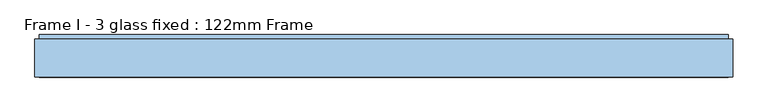
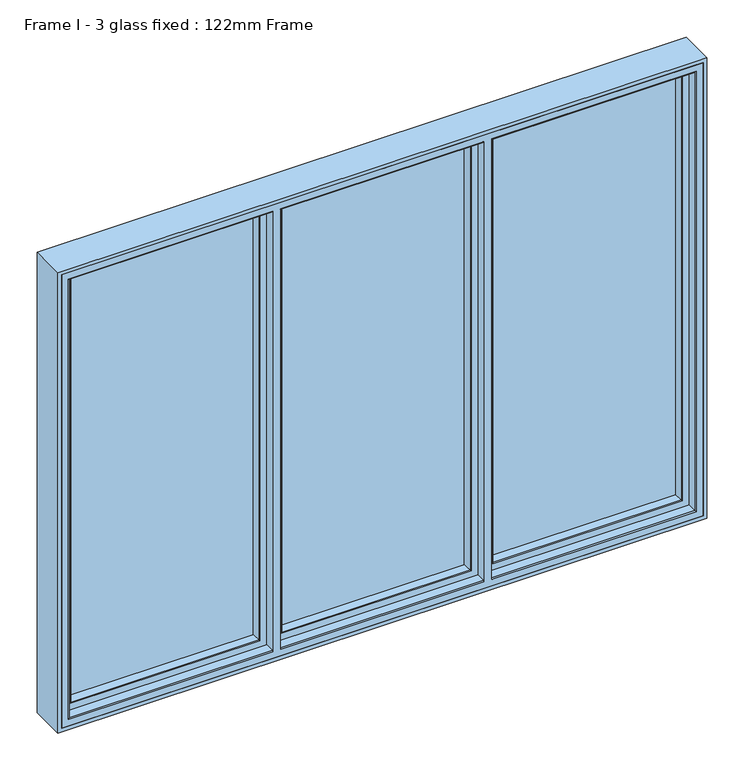
"""IFC4 building model written with IfcOpenShell, lengths in millimetres: window geometry, Frame I - 3 glass fixed : 122mm Frame."""

from ifc_helpers import new_model, si_unit, frame, origin, place, context, project, spatial, polyline, circle_curve, ellipse_curve, outline, extrude, source, transform, mapped, element, save
from ifc_brep_helpers import plane_surface, cylinder_surface, advanced_brep


def frame_i_3_glass_fixed_122mm_frame_de83305a(model_context):
    return source(origin(), model_context, "Body", "SolidModel", [
        extrude(outline(polyline([(-301.0, 141.0), (301.0, 141.0), (301.0, 93.0), (-301.0, 93.0), (-301.0, 141.0)])), frame((0.0, 0.0, 847.4), z_axis=(0.0, 0.0, 1.0), x_axis=(1.0, 0.0, 0.0)), (0.0, 0.0, 1.0), 1405.2),
        advanced_brep(
        [(290.1078547, 66.2562613, 2240.9078547), (287.0697056, 91.0, 2237.8697056), (287.0697056, 91.0, 862.1302944), (290.1078547, 66.2562613, 859.0921453), (310.7, 91.0, 838.5), (-310.7, 91.0, 838.5), (-310.7, 91.0, 2261.5), (310.7, 91.0, 2261.5), (-287.0697056, 91.0, 2237.8697056), (-287.0697056, 91.0, 862.1302944), (-290.1078547, 66.2562613, 859.0921453), (292.092947, 64.5, 2242.892947), (292.092947, 64.5, 857.107053), (310.7, 82.0, 2261.5), (310.7, 82.0, 838.5), (313.2, 82.0, 836.0), (-313.2, 82.0, 836.0), (-313.2, 82.0, 2264.0), (313.2, 82.0, 2264.0), (-310.7, 82.0, 2261.5), (-310.7, 82.0, 838.5), (313.2, 64.5, 2264.0), (313.2, 64.5, 836.0), (-313.2, 64.5, 2264.0), (-313.2, 64.5, 836.0), (-292.092947, 64.5, 857.107053), (-292.092947, 64.5, 2242.892947), (-290.1078547, 66.2562613, 2240.9078547)],
        [
            (0, 1),
            (1, 2),
            (2, 3),
            (3, 0),
            (4, 5),
            (5, 6),
            (6, 7),
            (7, 4),
            (1, 8),
            (8, 9),
            (9, 2),
            (9, 10),
            (10, 3),
            (11, 0, ellipse_curve(frame((292.092947, 66.5, 2242.892947), z_axis=(0.7071067811865474, 0.0, -0.7071067811865476), x_axis=(0.7071067811865475, 0.0, 0.7071067811865475)), 2.8284271, 2.0)),
            (3, 12, ellipse_curve(frame((292.092947, 66.5, 857.107053), z_axis=(0.7071067811865476, 0.0, 0.7071067811865474), x_axis=(-0.7071067811865472, 0.0, 0.7071067811865478)), 2.8284271, 2.0)),
            (12, 11),
            (7, 13),
            (13, 14),
            (14, 4),
            (15, 16),
            (16, 17),
            (17, 18),
            (18, 15),
            (13, 19),
            (19, 20),
            (20, 14),
            (20, 5),
            (18, 21),
            (21, 22),
            (22, 15),
            (21, 23),
            (23, 24),
            (24, 22),
            (12, 25),
            (25, 26),
            (26, 11),
            (24, 16),
            (10, 25, ellipse_curve(frame((-292.092947, 66.5, 857.107053), z_axis=(0.7071067811865474, 0.0, -0.7071067811865476), x_axis=(0.7071067811865478, 0.0, 0.7071067811865472)), 2.8284271, 2.0)),
            (8, 27),
            (27, 10),
            (19, 6),
            (23, 17),
            (27, 26, ellipse_curve(frame((-292.092947, 66.5, 2242.892947), z_axis=(-0.7071067811865476, 0.0, -0.7071067811865474), x_axis=(0.7071067811865474, 0.0, -0.7071067811865477)), 2.8284271, 2.0)),
            (0, 27),
        ],
        [
            plane_surface(frame((287.0697056, 91.0, 2237.8697056), z_axis=(-0.9925461516413219, -0.12186934340514886, 0.0), x_axis=(0.0, 0.0, -1.0))),
            plane_surface(frame((-310.7, 91.0, 2261.5), z_axis=(0.0, 1.0, 0.0), x_axis=(1.0, 0.0, 0.0))),
            plane_surface(frame((287.0697056, 91.0, 862.1302944), z_axis=(0.0, -0.12186934340514886, 0.9925461516413219), x_axis=(-1.0, 0.0, 0.0))),
            cylinder_surface(frame((292.092947, 66.5, 2237.6), z_axis=(0.0, 0.0, 1.0), x_axis=(0.0, 1.0, 0.0)), 2.0),
            plane_surface(frame((310.7, 82.0, 2261.5), z_axis=(1.0, 0.0, 0.0), x_axis=(0.0, 0.0, -1.0))),
            plane_surface(frame((-313.2, 82.0, 2264.0), z_axis=(0.0, 1.0, 0.0), x_axis=(1.0, 0.0, 0.0))),
            plane_surface(frame((310.7, 82.0, 838.5), z_axis=(0.0, 0.0, -1.0), x_axis=(-1.0, 0.0, 0.0))),
            plane_surface(frame((313.2, 64.5, 2264.0), z_axis=(1.0, 0.0, 0.0), x_axis=(0.0, 0.0, -1.0))),
            plane_surface(frame((-292.092947, 64.5, 2242.892947), z_axis=(0.0, -1.0, 0.0), x_axis=(1.0, 0.0, 0.0))),
            plane_surface(frame((313.2, 64.5, 836.0), z_axis=(0.0, 0.0, -1.0), x_axis=(-1.0, 0.0, 0.0))),
            cylinder_surface(frame((286.8, 66.5, 857.107053), z_axis=(1.0, 0.0, 0.0), x_axis=(0.0, 1.0, 0.0)), 2.0),
            plane_surface(frame((-287.0697056, 91.0, 862.1302944), z_axis=(0.9925461516413219, -0.12186934340514886, 0.0), x_axis=(0.0, 0.0, 1.0))),
            plane_surface(frame((-310.7, 82.0, 838.5), z_axis=(-1.0, 0.0, 0.0), x_axis=(0.0, 0.0, 1.0))),
            plane_surface(frame((-313.2, 64.5, 836.0), z_axis=(-1.0, 0.0, 0.0), x_axis=(0.0, 0.0, 1.0))),
            cylinder_surface(frame((-292.092947, 66.5, 862.4), z_axis=(0.0, 0.0, -1.0), x_axis=(0.0, 1.0, 0.0)), 2.0),
            plane_surface(frame((-287.0697056, 91.0, 2237.8697056), z_axis=(0.0, -0.12186934340514886, -0.9925461516413219), x_axis=(1.0, 0.0, 0.0))),
            plane_surface(frame((-310.7, 82.0, 2261.5), z_axis=(0.0, 0.0, 1.0), x_axis=(1.0, 0.0, 0.0))),
            plane_surface(frame((-313.2, 64.5, 2264.0), z_axis=(0.0, 0.0, 1.0), x_axis=(1.0, 0.0, 0.0))),
            cylinder_surface(frame((-286.8, 66.5, 2242.892947), z_axis=(-1.0, 0.0, 0.0), x_axis=(0.0, 1.0, 0.0)), 2.0),
        ],
        [
            (0, [[1, 2, 3, 4]]),
            (1, [[5, 6, 7, 8], [9, 10, 11, -2]]),
            (2, [[-3, -11, 12, 13]]),
            (3, [[14, -4, 15, 16]]),
            (4, [[17, 18, 19, -8]]),
            (5, [[20, 21, 22, 23], [24, 25, 26, -18]]),
            (6, [[-19, -26, 27, -5]]),
            (7, [[28, 29, 30, -23]]),
            (8, [[31, 32, 33, -29], [34, 35, 36, -16]]),
            (9, [[-30, -33, 37, -20]]),
            (10, [[-15, -13, 38, -34]]),
            (11, [[-12, -10, 39, 40]]),
            (12, [[-27, -25, 41, -6]]),
            (13, [[-37, -32, 42, -21]]),
            (14, [[-38, -40, 43, -35]]),
            (15, [[-39, -9, -1, 44]]),
            (16, [[-41, -24, -17, -7]]),
            (17, [[-42, -31, -28, -22]]),
            (18, [[-43, -44, -14, -36]]),
        ],
    ),
        extrude(outline(polyline([(349.4, 141.0), (952.6, 141.0), (952.6, 93.0), (349.4, 93.0), (349.4, 141.0)])), frame((0.0, 0.0, 847.4), z_axis=(0.0, 0.0, 1.0), x_axis=(1.0, 0.0, 0.0)), (0.0, 0.0, 1.0), 1405.2),
        advanced_brep(
        [(940.9078547, 66.2562613, 2240.9078547), (937.8697056, 91.0, 2237.8697056), (937.8697056, 91.0, 862.1302944), (940.9078547, 66.2562613, 859.0921453), (961.5, 91.0, 838.5), (339.7, 91.0, 838.5), (339.7, 91.0, 2261.5), (961.5, 91.0, 2261.5), (363.3302944, 91.0, 2237.8697056), (363.3302944, 91.0, 862.1302944), (360.2921453, 66.2562613, 859.0921453), (942.892947, 64.5, 2242.892947), (942.892947, 64.5, 857.107053), (961.5, 82.0, 2261.5), (961.5, 82.0, 838.5), (964.0, 82.0, 836.0), (337.2, 82.0, 836.0), (337.2, 82.0, 2264.0), (964.0, 82.0, 2264.0), (339.7, 82.0, 2261.5), (339.7, 82.0, 838.5), (964.0, 64.5, 2264.0), (964.0, 64.5, 836.0), (337.2, 64.5, 2264.0), (337.2, 64.5, 836.0), (358.307053, 64.5, 857.107053), (358.307053, 64.5, 2242.892947), (360.2921453, 66.2562613, 2240.9078547)],
        [
            (0, 1),
            (1, 2),
            (2, 3),
            (3, 0),
            (4, 5),
            (5, 6),
            (6, 7),
            (7, 4),
            (1, 8),
            (8, 9),
            (9, 2),
            (9, 10),
            (10, 3),
            (11, 0, ellipse_curve(frame((942.892947, 66.5, 2242.892947), z_axis=(0.7071067811865475, 0.0, -0.7071067811865476), x_axis=(0.7071067811865476, 0.0, 0.7071067811865475)), 2.8284271, 2.0)),
            (3, 12, ellipse_curve(frame((942.892947, 66.5, 857.107053), z_axis=(0.7071067811865476, 0.0, 0.7071067811865475), x_axis=(-0.7071067811865475, 0.0, 0.7071067811865476)), 2.8284271, 2.0)),
            (12, 11),
            (7, 13),
            (13, 14),
            (14, 4),
            (15, 16),
            (16, 17),
            (17, 18),
            (18, 15),
            (13, 19),
            (19, 20),
            (20, 14),
            (20, 5),
            (18, 21),
            (21, 22),
            (22, 15),
            (21, 23),
            (23, 24),
            (24, 22),
            (12, 25),
            (25, 26),
            (26, 11),
            (24, 16),
            (10, 25, ellipse_curve(frame((358.307053, 66.5, 857.107053), z_axis=(0.7071067811865475, 0.0, -0.7071067811865476), x_axis=(0.7071067811865476, 0.0, 0.7071067811865475)), 2.8284271, 2.0)),
            (8, 27),
            (27, 10),
            (19, 6),
            (23, 17),
            (27, 26, ellipse_curve(frame((358.307053, 66.5, 2242.892947), z_axis=(-0.7071067811865476, 0.0, -0.7071067811865475), x_axis=(0.7071067811865476, 0.0, -0.7071067811865476)), 2.8284271, 2.0)),
            (0, 27),
        ],
        [
            plane_surface(frame((937.8697056, 91.0, 2237.8697056), z_axis=(-0.9925461516413222, -0.12186934340514619, 0.0), x_axis=(0.0, 0.0, -1.0))),
            plane_surface(frame((339.7, 91.0, 2261.5), z_axis=(0.0, 1.0, 0.0), x_axis=(1.0, 0.0, 0.0))),
            plane_surface(frame((937.8697056, 91.0, 862.1302944), z_axis=(0.0, -0.12186934340514619, 0.9925461516413222), x_axis=(-1.0, 0.0, 0.0))),
            cylinder_surface(frame((942.892947, 66.5, 2237.6), z_axis=(0.0, 0.0, 1.0), x_axis=(0.0, 1.0, 0.0)), 2.0),
            plane_surface(frame((961.5, 82.0, 2261.5), z_axis=(1.0, 0.0, 0.0), x_axis=(0.0, 0.0, -1.0))),
            plane_surface(frame((337.2, 82.0, 2264.0), z_axis=(0.0, 1.0, 0.0), x_axis=(1.0, 0.0, 0.0))),
            plane_surface(frame((961.5, 82.0, 838.5), z_axis=(0.0, 0.0, -1.0), x_axis=(-1.0, 0.0, 0.0))),
            plane_surface(frame((964.0, 64.5, 2264.0), z_axis=(1.0, 0.0, 0.0), x_axis=(0.0, 0.0, -1.0))),
            plane_surface(frame((358.307053, 64.5, 2242.892947), z_axis=(0.0, -1.0, 0.0), x_axis=(1.0, 0.0, 0.0))),
            plane_surface(frame((964.0, 64.5, 836.0), z_axis=(0.0, 0.0, -1.0), x_axis=(-1.0, 0.0, 0.0))),
            cylinder_surface(frame((937.6, 66.5, 857.107053), z_axis=(1.0, 0.0, 0.0), x_axis=(0.0, 1.0, 0.0)), 2.0),
            plane_surface(frame((363.3302944, 91.0, 862.1302944), z_axis=(0.9925461516413222, -0.12186934340514619, 0.0), x_axis=(0.0, 0.0, 1.0))),
            plane_surface(frame((339.7, 82.0, 838.5), z_axis=(-1.0, 0.0, 0.0), x_axis=(0.0, 0.0, 1.0))),
            plane_surface(frame((337.2, 64.5, 836.0), z_axis=(-1.0, 0.0, 0.0), x_axis=(0.0, 0.0, 1.0))),
            cylinder_surface(frame((358.307053, 66.5, 862.4), z_axis=(0.0, 0.0, -1.0), x_axis=(0.0, 1.0, 0.0)), 2.0),
            plane_surface(frame((363.3302944, 91.0, 2237.8697056), z_axis=(0.0, -0.12186934340514619, -0.9925461516413222), x_axis=(1.0, 0.0, 0.0))),
            plane_surface(frame((339.7, 82.0, 2261.5), z_axis=(0.0, 0.0, 1.0), x_axis=(1.0, 0.0, 0.0))),
            plane_surface(frame((337.2, 64.5, 2264.0), z_axis=(0.0, 0.0, 1.0), x_axis=(1.0, 0.0, 0.0))),
            cylinder_surface(frame((363.6, 66.5, 2242.892947), z_axis=(-1.0, 0.0, 0.0), x_axis=(0.0, 1.0, 0.0)), 2.0),
        ],
        [
            (0, [[1, 2, 3, 4]]),
            (1, [[5, 6, 7, 8], [9, 10, 11, -2]]),
            (2, [[-3, -11, 12, 13]]),
            (3, [[14, -4, 15, 16]]),
            (4, [[17, 18, 19, -8]]),
            (5, [[20, 21, 22, 23], [24, 25, 26, -18]]),
            (6, [[-19, -26, 27, -5]]),
            (7, [[28, 29, 30, -23]]),
            (8, [[31, 32, 33, -29], [34, 35, 36, -16]]),
            (9, [[-30, -33, 37, -20]]),
            (10, [[-15, -13, 38, -34]]),
            (11, [[-12, -10, 39, 40]]),
            (12, [[-27, -25, 41, -6]]),
            (13, [[-37, -32, 42, -21]]),
            (14, [[-38, -40, 43, -35]]),
            (15, [[-39, -9, -1, 44]]),
            (16, [[-41, -24, -17, -7]]),
            (17, [[-42, -31, -28, -22]]),
            (18, [[-43, -44, -14, -36]]),
        ],
    ),
        advanced_brep(
        [(-964.0, 83.0, 2264.0), (-964.0, 35.0, 2264.0), (-964.0, 35.0, 836.0), (-964.0, 83.0, 836.0), (-967.0, 32.0, 2267.0), (-967.0, 32.0, 833.0), (-337.2, 35.0, 836.0), (-337.2, 83.0, 836.0), (964.0, 35.0, 836.0), (964.0, 83.0, 836.0), (337.2, 83.0, 836.0), (337.2, 35.0, 836.0), (-313.2, 83.0, 836.0), (-313.2, 35.0, 836.0), (313.2, 35.0, 836.0), (313.2, 83.0, 836.0), (-337.2, 83.0, 838.0), (-962.0, 83.0, 838.0), (-962.0, 83.0, 2262.0), (-337.2, 83.0, 2262.0), (-337.2, 83.0, 2264.0), (964.0, 83.0, 2264.0), (337.2, 83.0, 2264.0), (337.2, 83.0, 2262.0), (962.0, 83.0, 2262.0), (962.0, 83.0, 838.0), (337.2, 83.0, 838.0), (-313.2, 83.0, 838.0), (313.2, 83.0, 838.0), (-313.2, 83.0, 2264.0), (-313.2, 83.0, 2262.0), (313.2, 83.0, 2262.0), (313.2, 83.0, 2264.0), (-962.0, 91.0, 2262.0), (-962.0, 91.0, 838.0), (-337.2, 91.0, 838.0), (962.0, 91.0, 838.0), (337.2, 91.0, 838.0), (313.2, 91.0, 838.0), (-313.2, 91.0, 838.0), (-337.2, 91.0, 2262.0), (-955.7805994, 91.0, 844.2194006), (-955.7805994, 91.0, 2255.7805994), (-345.4, 91.0, 2255.7805994), (-345.4, 91.0, 844.2194006), (962.0, 91.0, 2262.0), (337.2, 91.0, 2262.0), (955.7805994, 91.0, 844.2194006), (345.4, 91.0, 844.2194006), (345.4, 91.0, 2255.7805994), (955.7805994, 91.0, 2255.7805994), (-313.2, 91.0, 2262.0), (313.2, 91.0, 2262.0), (-305.0, 91.0, 844.2194006), (-305.0, 91.0, 2255.7805994), (305.0, 91.0, 2255.7805994), (305.0, 91.0, 844.2194006), (-938.0131086, 143.3877115, 2238.0131086), (-938.0131086, 142.0, 2238.0131086), (-938.0131086, 142.0, 861.9868914), (-938.0131086, 143.3877115, 861.9868914), (-962.2226568, 142.0, 2262.2226568), (-962.2226568, 142.0, 837.7773432), (-339.1379874, 142.0, 837.7773432), (-339.1379874, 142.0, 2262.2226568), (-363.6111574, 142.0, 2238.0131086), (-363.6111574, 142.0, 861.9868914), (962.2226568, 142.0, 837.7773432), (962.2226568, 142.0, 2262.2226568), (339.1379874, 142.0, 2262.2226568), (339.1379874, 142.0, 837.7773432), (938.0131086, 142.0, 2238.0131086), (938.0131086, 142.0, 861.9868914), (363.6111574, 142.0, 861.9868914), (363.6111574, 142.0, 2238.0131086), (-311.2620126, 142.0, 2262.2226568), (-311.2620126, 142.0, 837.7773432), (311.2620126, 142.0, 837.7773432), (311.2620126, 142.0, 2262.2226568), (-286.7888426, 142.0, 861.9868914), (-286.7888426, 142.0, 2238.0131086), (286.7888426, 142.0, 2238.0131086), (286.7888426, 142.0, 861.9868914), (-363.1868914, 143.3877115, 861.9868914), (938.0131086, 143.3877115, 861.9868914), (363.1868914, 143.3877115, 861.9868914), (-287.2131086, 143.3877115, 861.9868914), (287.2131086, 143.3877115, 861.9868914), (-941.2576108, 154.0, 858.7423892), (-941.2576108, 154.0, 2241.2576108), (-359.9423892, 154.0, 858.7423892), (941.2576108, 154.0, 858.7423892), (359.9423892, 154.0, 858.7423892), (-290.4576108, 154.0, 858.7423892), (290.4576108, 154.0, 858.7423892), (988.0, 154.0, 812.0), (-988.0, 154.0, 812.0), (-988.0, 154.0, 2288.0), (988.0, 154.0, 2288.0), (-359.9423892, 154.0, 2241.2576108), (290.4576108, 154.0, 2241.2576108), (-290.4576108, 154.0, 2241.2576108), (941.2576108, 154.0, 2241.2576108), (359.9423892, 154.0, 2241.2576108), (-988.0, 90.5, 2288.0), (-988.0, 90.5, 812.0), (988.0, 90.5, 812.0), (337.2, 90.5, 812.0), (337.2, 86.5, 812.0), (988.0, 86.5, 812.0), (988.0, 32.0, 812.0), (-988.0, 32.0, 812.0), (-988.0, 86.5, 812.0), (-337.2, 86.5, 812.0), (-337.2, 90.5, 812.0), (-313.2, 86.5, 812.0), (313.2, 86.5, 812.0), (313.2, 90.5, 812.0), (-313.2, 90.5, 812.0), (-337.2, 90.5, 819.0), (-981.0, 90.5, 819.0), (-981.0, 90.5, 2281.0), (-337.2, 90.5, 2281.0), (-337.2, 90.5, 2288.0), (988.0, 90.5, 2288.0), (337.2, 90.5, 2288.0), (337.2, 90.5, 2281.0), (981.0, 90.5, 2281.0), (981.0, 90.5, 819.0), (337.2, 90.5, 819.0), (-313.2, 90.5, 819.0), (313.2, 90.5, 819.0), (-313.2, 90.5, 2288.0), (-313.2, 90.5, 2281.0), (313.2, 90.5, 2281.0), (313.2, 90.5, 2288.0), (-337.2, 32.0, 833.0), (967.0, 32.0, 833.0), (337.2, 32.0, 833.0), (-313.2, 32.0, 833.0), (313.2, 32.0, 833.0), (-337.2, 86.5, 819.0), (-337.2, 32.0, 2267.0), (-337.2, 35.0, 2264.0), (-337.2, 86.5, 2288.0), (-337.2, 86.5, 2281.0), (964.0, 35.0, 2264.0), (337.2, 86.5, 819.0), (337.2, 32.0, 2267.0), (337.2, 35.0, 2264.0), (337.2, 86.5, 2288.0), (337.2, 86.5, 2281.0), (-313.2, 86.5, 819.0), (-313.2, 32.0, 2267.0), (-313.2, 35.0, 2264.0), (-313.2, 86.5, 2288.0), (-313.2, 86.5, 2281.0), (313.2, 86.5, 819.0), (313.2, 32.0, 2267.0), (313.2, 35.0, 2264.0), (313.2, 86.5, 2288.0), (313.2, 86.5, 2281.0), (-363.1868914, 143.3877115, 2238.0131086), (938.0131086, 143.3877115, 2238.0131086), (363.1868914, 143.3877115, 2238.0131086), (-287.2131086, 143.3877115, 2238.0131086), (287.2131086, 143.3877115, 2238.0131086), (-981.0, 86.5, 2281.0), (-981.0, 86.5, 819.0), (-988.0, 86.5, 2288.0), (981.0, 86.5, 819.0), (981.0, 86.5, 2281.0), (988.0, 86.5, 2288.0), (988.0, 32.0, 2288.0), (-988.0, 32.0, 2288.0), (967.0, 32.0, 2267.0)],
        [
            (0, 1),
            (1, 2),
            (2, 3),
            (3, 0),
            (1, 4, ellipse_curve(frame((-967.0, 35.0, 2267.0), z_axis=(-0.7071067811865475, 0.0, -0.7071067811865475), x_axis=(-0.7071067811865474, 0.0, 0.7071067811865476)), 4.2426407, 3.0)),
            (4, 5),
            (5, 2, ellipse_curve(frame((-967.0, 35.0, 833.0), z_axis=(-0.7071067811865475, 0.0, 0.7071067811865475), x_axis=(0.7071067811865474, 0.0, 0.7071067811865476)), 4.2426407, 3.0)),
            (2, 6),
            (6, 7),
            (7, 3),
            (8, 9),
            (9, 10),
            (10, 11),
            (11, 8),
            (12, 13),
            (13, 14),
            (14, 15),
            (15, 12),
            (7, 16),
            (16, 17),
            (17, 18),
            (18, 19),
            (19, 20),
            (20, 0),
            (9, 21),
            (21, 22),
            (22, 23),
            (23, 24),
            (24, 25),
            (25, 26),
            (26, 10),
            (27, 12),
            (15, 28),
            (28, 27),
            (29, 30),
            (30, 31),
            (31, 32),
            (32, 29),
            (33, 18),
            (17, 34),
            (34, 33),
            (16, 35),
            (35, 34),
            (25, 36),
            (36, 37),
            (37, 26),
            (38, 39),
            (39, 27),
            (28, 38),
            (35, 40),
            (40, 33),
            (41, 42),
            (42, 43),
            (43, 44),
            (44, 41),
            (36, 45),
            (45, 46),
            (46, 37),
            (47, 48),
            (48, 49),
            (49, 50),
            (50, 47),
            (51, 39),
            (38, 52),
            (52, 51),
            (53, 54),
            (54, 55),
            (55, 56),
            (56, 53),
            (57, 58),
            (58, 59),
            (59, 60),
            (60, 57),
            (61, 62),
            (62, 63),
            (63, 64),
            (64, 61),
            (58, 65),
            (65, 66),
            (66, 59),
            (67, 68),
            (68, 69),
            (69, 70),
            (70, 67),
            (71, 72),
            (72, 73),
            (73, 74),
            (74, 71),
            (75, 76),
            (76, 77),
            (77, 78),
            (78, 75),
            (79, 80),
            (80, 81),
            (81, 82),
            (82, 79),
            (66, 83),
            (83, 60),
            (72, 84),
            (84, 85),
            (85, 73),
            (86, 79),
            (82, 87),
            (87, 86),
            (60, 88),
            (88, 89),
            (89, 57),
            (83, 90),
            (90, 88),
            (84, 91),
            (91, 92),
            (92, 85),
            (93, 86),
            (87, 94),
            (94, 93),
            (95, 96),
            (96, 97),
            (97, 98),
            (98, 95),
            (90, 99),
            (99, 89),
            (94, 100),
            (100, 101),
            (101, 93),
            (91, 102),
            (102, 103),
            (103, 92),
            (104, 97),
            (96, 105),
            (105, 104),
            (95, 106),
            (106, 107),
            (107, 108),
            (108, 109),
            (109, 110),
            (110, 111),
            (111, 112),
            (112, 113),
            (113, 114),
            (114, 105),
            (115, 116),
            (116, 117),
            (117, 118),
            (118, 115),
            (114, 119),
            (119, 120),
            (120, 121),
            (121, 122),
            (122, 123),
            (123, 104),
            (106, 124),
            (124, 125),
            (125, 126),
            (126, 127),
            (127, 128),
            (128, 129),
            (129, 107),
            (130, 118),
            (117, 131),
            (131, 130),
            (132, 133),
            (133, 134),
            (134, 135),
            (135, 132),
            (5, 136),
            (136, 6, circle_curve(frame((-337.2, 35.0, 833.0), z_axis=(-1.0, 0.0, 0.0), x_axis=(0.0, 1.0, 0.0)), 3.0)),
            (137, 8, ellipse_curve(frame((967.0, 35.0, 833.0), z_axis=(-0.7071067811865475, 0.0, -0.7071067811865475), x_axis=(-0.7071067811865476, 0.0, 0.7071067811865474)), 4.2426407, 3.0)),
            (11, 138, circle_curve(frame((337.2, 35.0, 833.0), z_axis=(1.0, 0.0, 0.0), x_axis=(0.0, 1.0, 0.0)), 3.0)),
            (138, 137),
            (13, 139, circle_curve(frame((-313.2, 35.0, 833.0), z_axis=(1.0, 0.0, 0.0), x_axis=(0.0, 1.0, 0.0)), 3.0)),
            (139, 140),
            (140, 14, circle_curve(frame((313.2, 35.0, 833.0), z_axis=(-1.0, 0.0, 0.0), x_axis=(0.0, 1.0, 0.0)), 3.0)),
            (113, 141),
            (141, 119),
            (136, 142),
            (142, 143, circle_curve(frame((-337.2, 35.0, 2267.0), z_axis=(1.0, 0.0, 0.0), x_axis=(0.0, 1.0, 0.0)), 3.0)),
            (143, 20),
            (19, 40),
            (144, 123),
            (122, 145),
            (145, 144),
            (8, 146),
            (146, 21),
            (129, 147),
            (147, 108),
            (148, 138),
            (46, 23),
            (22, 149),
            (149, 148, circle_curve(frame((337.2, 35.0, 2267.0), z_axis=(-1.0, 0.0, 0.0), x_axis=(0.0, 1.0, 0.0)), 3.0)),
            (125, 150),
            (150, 151),
            (151, 126),
            (130, 152),
            (152, 115),
            (153, 139),
            (51, 30),
            (29, 154),
            (154, 153, circle_curve(frame((-313.2, 35.0, 2267.0), z_axis=(-1.0, 0.0, 0.0), x_axis=(0.0, 1.0, 0.0)), 3.0)),
            (132, 155),
            (155, 156),
            (156, 133),
            (116, 157),
            (157, 131),
            (140, 158),
            (158, 159, circle_curve(frame((313.2, 35.0, 2267.0), z_axis=(1.0, 0.0, 0.0), x_axis=(0.0, 1.0, 0.0)), 3.0)),
            (159, 32),
            (31, 52),
            (160, 135),
            (134, 161),
            (161, 160),
            (24, 45),
            (65, 162),
            (162, 99),
            (71, 163),
            (163, 84),
            (103, 164),
            (164, 74),
            (101, 165),
            (165, 80),
            (81, 166),
            (166, 100),
            (163, 102),
            (98, 124),
            (152, 157),
            (167, 168),
            (168, 141),
            (112, 169),
            (169, 144),
            (145, 167),
            (170, 171),
            (171, 151),
            (150, 172),
            (172, 109),
            (147, 170),
            (155, 160),
            (161, 156),
            (173, 110),
            (172, 173),
            (173, 174),
            (174, 111),
            (4, 142),
            (175, 137),
            (148, 175),
            (153, 158),
            (174, 169),
            (175, 146, ellipse_curve(frame((967.0, 35.0, 2267.0), z_axis=(0.7071067811865475, 0.0, -0.7071067811865475), x_axis=(-0.7071067811865474, 0.0, -0.7071067811865476)), 4.2426407, 3.0)),
            (67, 47),
            (50, 68),
            (69, 49),
            (48, 70),
            (76, 53),
            (56, 77),
            (62, 41),
            (44, 63),
            (61, 42),
            (43, 64),
            (75, 54),
            (55, 78),
            (167, 121),
            (120, 168),
            (128, 170),
            (127, 171),
            (143, 1),
            (146, 149),
            (159, 154),
            (57, 162),
            (164, 163),
            (165, 166),
        ],
        [
            plane_surface(frame((-964.0, 35.0, 2264.0), z_axis=(1.0, 0.0, 0.0), x_axis=(0.0, 0.0, -1.0))),
            cylinder_surface(frame((-967.0, 35.0, 2288.0), z_axis=(0.0, 0.0, 1.0), x_axis=(0.0, 1.0, 0.0)), 3.0),
            plane_surface(frame((-964.0, 35.0, 836.0), z_axis=(0.0, 0.0, 1.0), x_axis=(1.0, 0.0, 0.0))),
            plane_surface(frame((964.0, 83.0, 2264.0), z_axis=(0.0, -1.0, 0.0), x_axis=(-1.0, 0.0, 0.0))),
            plane_surface(frame((-962.0, 83.0, 2262.0), z_axis=(1.0, 0.0, 0.0), x_axis=(0.0, 0.0, -1.0))),
            plane_surface(frame((-962.0, 83.0, 838.0), z_axis=(0.0, 0.0, 1.0), x_axis=(1.0, 0.0, 0.0))),
            plane_surface(frame((962.0, 91.0, 2262.0), z_axis=(0.0, -1.0, 0.0), x_axis=(-1.0, 0.0, 0.0))),
            plane_surface(frame((-938.0131086, 142.0, 2238.0131086), z_axis=(1.0, 0.0, 0.0), x_axis=(0.0, 0.0, -1.0))),
            plane_surface(frame((962.2226568, 142.0, 2262.2226568), z_axis=(0.0, -1.0, 0.0), x_axis=(-1.0, 0.0, 0.0))),
            plane_surface(frame((-938.0131086, 142.0, 861.9868914), z_axis=(0.0, 0.0, 1.0), x_axis=(1.0, 0.0, 0.0))),
            plane_surface(frame((-938.0131086, 143.3877115, 2238.0131086), z_axis=(0.9563047559629367, 0.29237170472305973, 0.0), x_axis=(0.0, 0.0, -1.0))),
            plane_surface(frame((-938.0131086, 143.3877115, 861.9868914), z_axis=(0.0, 0.29237170472305973, 0.9563047559629367), x_axis=(1.0, 0.0, 0.0))),
            plane_surface(frame((941.2576108, 154.0, 2241.2576108), z_axis=(0.0, 1.0, 0.0), x_axis=(-1.0, 0.0, 0.0))),
            plane_surface(frame((-988.0, 154.0, 2288.0), z_axis=(-1.0, 0.0, 0.0), x_axis=(0.0, 0.0, -1.0))),
            plane_surface(frame((-988.0, 154.0, 812.0), z_axis=(0.0, 0.0, -1.0), x_axis=(1.0, 0.0, 0.0))),
            plane_surface(frame((988.0, 90.5, 2288.0), z_axis=(0.0, -1.0, 0.0), x_axis=(-1.0, 0.0, 0.0))),
            cylinder_surface(frame((-988.0, 35.0, 833.0), z_axis=(-1.0, 0.0, 0.0), x_axis=(0.0, 1.0, 0.0)), 3.0),
            plane_surface(frame((-337.2, 91.0, 2288.0), z_axis=(-1.0, 0.0, 0.0), x_axis=(0.0, 0.0, -1.0))),
            plane_surface(frame((964.0, 35.0, 836.0), z_axis=(-1.0, 0.0, 0.0), x_axis=(0.0, 0.0, 1.0))),
            plane_surface(frame((337.2, 32.0, 2288.0), z_axis=(1.0, 0.0, 0.0), x_axis=(0.0, 0.0, -1.0))),
            plane_surface(frame((-313.2, 32.0, 2288.0), z_axis=(1.0, 0.0, 0.0), x_axis=(0.0, 0.0, -1.0))),
            plane_surface(frame((313.2, 91.0, 2288.0), z_axis=(-1.0, 0.0, 0.0), x_axis=(0.0, 0.0, -1.0))),
            plane_surface(frame((962.0, 83.0, 838.0), z_axis=(-1.0, 0.0, 0.0), x_axis=(0.0, 0.0, 1.0))),
            plane_surface(frame((-359.9423892, 154.0, 2288.0), z_axis=(-0.9563047559631237, 0.2923717047224481, 0.0), x_axis=(0.0, 0.0, -1.0))),
            plane_surface(frame((938.0131086, 142.0, 861.9868914), z_axis=(-1.0, 0.0, 0.0), x_axis=(0.0, 0.0, 1.0))),
            plane_surface(frame((363.6111574, 142.0, 2288.0), z_axis=(0.9563047559630931, 0.2923717047225485, 0.0), x_axis=(0.0, 0.0, -1.0))),
            plane_surface(frame((-286.7888426, 142.0, 2288.0), z_axis=(0.956304755963121, 0.2923717047224568, 0.0), x_axis=(0.0, 0.0, -1.0))),
            plane_surface(frame((290.4576108, 154.0, 2288.0), z_axis=(-0.9563047559630945, 0.2923717047225439, 0.0), x_axis=(0.0, 0.0, -1.0))),
            plane_surface(frame((938.0131086, 143.3877115, 861.9868914), z_axis=(-0.9563047559629367, 0.29237170472305973, 0.0), x_axis=(0.0, 0.0, 1.0))),
            plane_surface(frame((988.0, 154.0, 812.0), z_axis=(1.0, 0.0, 0.0), x_axis=(0.0, 0.0, 1.0))),
            plane_surface(frame((981.0, 86.5, 2281.0), z_axis=(0.0, 1.0, 0.0), x_axis=(-1.0, 0.0, 0.0))),
            plane_surface(frame((988.0, 86.5, 812.0), z_axis=(1.0, 0.0, 0.0), x_axis=(0.0, 0.0, 1.0))),
            plane_surface(frame((988.0, 32.0, 2288.0), z_axis=(0.0, -1.0, 0.0), x_axis=(-1.0, 0.0, 0.0))),
            plane_surface(frame((-988.0, 86.5, 2288.0), z_axis=(-1.0, 0.0, 0.0), x_axis=(0.0, 0.0, -1.0))),
            cylinder_surface(frame((967.0, 35.0, 812.0), z_axis=(0.0, 0.0, -1.0), x_axis=(0.0, 1.0, 0.0)), 3.0),
            plane_surface(frame((955.7805994, 91.0, 844.2194006), z_axis=(-0.9921164934933608, 0.12531904619186296, 0.0), x_axis=(0.0, 0.0, 1.0))),
            plane_surface(frame((345.4, 91.0, 2288.0), z_axis=(0.9925461516413217, 0.12186934340515079, 0.0), x_axis=(0.0, 0.0, -1.0))),
            plane_surface(frame((-955.7805994, 91.0, 844.2194006), z_axis=(0.0, 0.12531904619186296, 0.9921164934933608), x_axis=(1.0, 0.0, 0.0))),
            plane_surface(frame((-955.7805994, 91.0, 2255.7805994), z_axis=(0.9921164934933608, 0.12531904619186296, 0.0), x_axis=(0.0, 0.0, -1.0))),
            plane_surface(frame((-339.1379874, 142.0, 2288.0), z_axis=(-0.9925461516413188, 0.12186934340517415, 0.0), x_axis=(0.0, 0.0, -1.0))),
            plane_surface(frame((-305.0, 91.0, 2288.0), z_axis=(0.9925461516413211, 0.1218693434051556, 0.0), x_axis=(0.0, 0.0, -1.0))),
            plane_surface(frame((311.2620126, 142.0, 2288.0), z_axis=(-0.9925461516413182, 0.1218693434051785, 0.0), x_axis=(0.0, 0.0, -1.0))),
            plane_surface(frame((-981.0, 90.5, 2281.0), z_axis=(-1.0, 0.0, 0.0), x_axis=(0.0, 0.0, -1.0))),
            plane_surface(frame((-981.0, 90.5, 819.0), z_axis=(0.0, 0.0, -1.0), x_axis=(1.0, 0.0, 0.0))),
            plane_surface(frame((981.0, 90.5, 819.0), z_axis=(1.0, 0.0, 0.0), x_axis=(0.0, 0.0, 1.0))),
            plane_surface(frame((964.0, 35.0, 2264.0), z_axis=(0.0, 0.0, -1.0), x_axis=(-1.0, 0.0, 0.0))),
            plane_surface(frame((962.0, 83.0, 2262.0), z_axis=(0.0, 0.0, -1.0), x_axis=(-1.0, 0.0, 0.0))),
            plane_surface(frame((938.0131086, 142.0, 2238.0131086), z_axis=(0.0, 0.0, -1.0), x_axis=(-1.0, 0.0, 0.0))),
            plane_surface(frame((938.0131086, 143.3877115, 2238.0131086), z_axis=(0.0, 0.29237170472305973, -0.9563047559629367), x_axis=(-1.0, 0.0, 0.0))),
            plane_surface(frame((988.0, 154.0, 2288.0), z_axis=(0.0, 0.0, 1.0), x_axis=(-1.0, 0.0, 0.0))),
            cylinder_surface(frame((988.0, 35.0, 2267.0), z_axis=(1.0, 0.0, 0.0), x_axis=(0.0, 1.0, 0.0)), 3.0),
            plane_surface(frame((955.7805994, 91.0, 2255.7805994), z_axis=(0.0, 0.12531904619186296, -0.9921164934933608), x_axis=(-1.0, 0.0, 0.0))),
            plane_surface(frame((981.0, 90.5, 2281.0), z_axis=(0.0, 0.0, 1.0), x_axis=(-1.0, 0.0, 0.0))),
        ],
        [
            (0, [[1, 2, 3, 4]]),
            (1, [[-2, 5, 6, 7]]),
            (2, [[-3, 8, 9, 10]]),
            (2, [[11, 12, 13, 14]]),
            (2, [[15, 16, 17, 18]]),
            (3, [[-4, -10, 19, 20, 21, 22, 23, 24]]),
            (3, [[25, 26, 27, 28, 29, 30, 31, -12]]),
            (3, [[32, -18, 33, 34]]),
            (3, [[35, 36, 37, 38]]),
            (4, [[39, -21, 40, 41]]),
            (5, [[-40, -20, 42, 43]]),
            (5, [[44, 45, 46, -30]]),
            (5, [[47, 48, -34, 49]]),
            (6, [[-41, -43, 50, 51], [52, 53, 54, 55]]),
            (6, [[56, 57, 58, -45], [59, 60, 61, 62]]),
            (6, [[63, -47, 64, 65], [66, 67, 68, 69]]),
            (7, [[70, 71, 72, 73]]),
            (8, [[74, 75, 76, 77], [-71, 78, 79, 80]]),
            (8, [[81, 82, 83, 84], [85, 86, 87, 88]]),
            (8, [[89, 90, 91, 92], [93, 94, 95, 96]]),
            (9, [[-72, -80, 97, 98]]),
            (9, [[99, 100, 101, -86]]),
            (9, [[102, -96, 103, 104]]),
            (10, [[-73, 105, 106, 107]]),
            (11, [[-105, -98, 108, 109]]),
            (11, [[110, 111, 112, -100]]),
            (11, [[113, -104, 114, 115]]),
            (12, [[116, 117, 118, 119], [-106, -109, 120, 121], [-115, 122, 123, 124], [125, 126, 127, -111]]),
            (13, [[128, -117, 129, 130]]),
            (14, [[-129, -116, 131, 132, 133, 134, 135, 136, 137, 138, 139, 140], [141, 142, 143, 144]]),
            (15, [[-130, -140, 145, 146, 147, 148, 149, 150]]),
            (15, [[151, 152, 153, 154, 155, 156, 157, -132]]),
            (15, [[158, -143, 159, 160]]),
            (15, [[161, 162, 163, 164]]),
            (16, [[-7, 165, 166, -8]]),
            (16, [[167, -14, 168, 169]]),
            (16, [[170, 171, 172, -16]]),
            (17, [[-139, 173, 174, -145]]),
            (17, [[175, 176, 177, -23, 178, -50, -42, -19, -9, -166]]),
            (17, [[179, -149, 180, 181]]),
            (18, [[-11, 182, 183, -25]]),
            (19, [[-133, -157, 184, 185]]),
            (19, [[186, -168, -13, -31, -46, -58, 187, -27, 188, 189]]),
            (19, [[190, 191, 192, -153]]),
            (20, [[-144, -158, 193, 194]]),
            (20, [[195, -170, -15, -32, -48, -63, 196, -35, 197, 198]]),
            (20, [[199, 200, 201, -161]]),
            (21, [[-142, 202, 203, -159]]),
            (21, [[204, 205, 206, -37, 207, -64, -49, -33, -17, -172]]),
            (21, [[208, -163, 209, 210]]),
            (22, [[-44, -29, 211, -56]]),
            (23, [[-79, 212, 213, -120, -108, -97]]),
            (24, [[-99, -85, 214, 215]]),
            (25, [[-87, -101, -112, -127, 216, 217]]),
            (26, [[-93, -102, -113, -124, 218, 219]]),
            (27, [[-95, 220, 221, -122, -114, -103]]),
            (28, [[-110, -215, 222, -125]]),
            (29, [[-131, -119, 223, -151]]),
            (30, [[-194, 224, -202, -141]]),
            (30, [[225, 226, -173, -138, 227, 228, -181, 229]]),
            (30, [[230, 231, -191, 232, 233, -134, -185, 234]]),
            (30, [[-200, 235, -210, 236]]),
            (31, [[237, -135, -233, 238]]),
            (32, [[-136, -237, 239, 240], [-6, 241, -175, -165], [242, -169, -186, 243], [244, -204, -171, -195]]),
            (33, [[-240, 245, -227, -137]]),
            (34, [[-182, -167, -242, 246]]),
            (35, [[-81, 247, -62, 248]]),
            (36, [[-83, 249, -60, 250]]),
            (37, [[-90, 251, -69, 252]]),
            (37, [[-247, -84, -250, -59]]),
            (37, [[253, -55, 254, -75]]),
            (38, [[-74, 255, -52, -253]]),
            (39, [[-54, 256, -76, -254]]),
            (40, [[-66, -251, -89, 257]]),
            (41, [[-91, -252, -68, 258]]),
            (42, [[259, -147, 260, -225]]),
            (43, [[-193, -160, -203, -224]]),
            (43, [[-260, -146, -174, -226]]),
            (43, [[261, -234, -184, -156]]),
            (44, [[-261, -155, 262, -230]]),
            (45, [[-1, -24, -177, 263]]),
            (45, [[-183, 264, -188, -26]]),
            (45, [[-197, -38, -206, 265]]),
            (46, [[-39, -51, -178, -22]]),
            (46, [[-196, -65, -207, -36]]),
            (46, [[-57, -211, -28, -187]]),
            (47, [[-70, 266, -212, -78]]),
            (47, [[-214, -88, -217, 267]]),
            (47, [[-219, 268, -220, -94]]),
            (48, [[-107, -121, -213, -266]]),
            (48, [[-222, -267, -216, -126]]),
            (48, [[-218, -123, -221, -268]]),
            (49, [[-118, -128, -150, -179, -228, -245, -239, -238, -232, -190, -152, -223], [-164, -208, -235, -199]]),
            (50, [[-5, -263, -176, -241]]),
            (50, [[-246, -243, -189, -264]]),
            (50, [[-198, -265, -205, -244]]),
            (51, [[-82, -248, -61, -249]]),
            (51, [[-255, -77, -256, -53]]),
            (51, [[-257, -92, -258, -67]]),
            (52, [[-201, -236, -209, -162]]),
            (52, [[-259, -229, -180, -148]]),
            (52, [[-262, -154, -192, -231]]),
        ],
    ),
        extrude(outline(polyline([(2300.0, -1000.0), (800.0, -1000.0), (800.0, 1000.0), (2300.0, 1000.0), (2300.0, -1000.0)]), holes=[polyline([(2288.0, 988.0), (812.0, 988.0), (812.0, -988.0), (2288.0, -988.0), (2288.0, 988.0)])]), frame((0.0, 32.0, 0.0), z_axis=(0.0, 1.0, 0.0), x_axis=(0.0, 0.0, 1.0)), (0.0, 0.0, 1.0), 109.0),
        extrude(outline(polyline([(-952.6, 141.0), (-349.4, 141.0), (-349.4, 93.0), (-952.6, 93.0), (-952.6, 141.0)])), frame((0.0, 0.0, 847.4), z_axis=(0.0, 0.0, 1.0), x_axis=(1.0, 0.0, 0.0)), (0.0, 0.0, 1.0), 1405.2),
        advanced_brep(
        [(-937.8697056, 91.0, 2237.8697056), (-940.9078547, 66.2562613, 2240.9078547), (-940.9078547, 66.2562613, 859.0921453), (-937.8697056, 91.0, 862.1302944), (-942.892947, 64.5, 2242.892947), (-942.892947, 64.5, 857.107053), (-360.2921453, 66.2562613, 859.0921453), (-363.3302944, 91.0, 862.1302944), (-961.5, 91.0, 2261.5), (-339.7, 91.0, 2261.5), (-339.7, 91.0, 838.5), (-961.5, 91.0, 838.5), (-363.3302944, 91.0, 2237.8697056), (-961.5, 82.0, 2261.5), (-961.5, 82.0, 838.5), (-339.7, 82.0, 838.5), (-964.0, 82.0, 2264.0), (-337.2, 82.0, 2264.0), (-337.2, 82.0, 836.0), (-964.0, 82.0, 836.0), (-339.7, 82.0, 2261.5), (-964.0, 64.5, 2264.0), (-964.0, 64.5, 836.0), (-337.2, 64.5, 836.0), (-337.2, 64.5, 2264.0), (-358.307053, 64.5, 2242.892947), (-358.307053, 64.5, 857.107053), (-360.2921453, 66.2562613, 2240.9078547)],
        [
            (0, 1),
            (1, 2),
            (2, 3),
            (3, 0),
            (1, 4, ellipse_curve(frame((-942.892947, 66.5, 2242.892947), z_axis=(-0.7071067811865475, 0.0, -0.7071067811865475), x_axis=(-0.7071067811865474, 0.0, 0.7071067811865476)), 2.8284271, 2.0)),
            (4, 5),
            (5, 2, ellipse_curve(frame((-942.892947, 66.5, 857.107053), z_axis=(-0.7071067811865475, 0.0, 0.7071067811865475), x_axis=(0.7071067811865474, 0.0, 0.7071067811865476)), 2.8284271, 2.0)),
            (2, 6),
            (6, 7),
            (7, 3),
            (8, 9),
            (9, 10),
            (10, 11),
            (11, 8),
            (7, 12),
            (12, 0),
            (13, 8),
            (11, 14),
            (14, 13),
            (10, 15),
            (15, 14),
            (16, 17),
            (17, 18),
            (18, 19),
            (19, 16),
            (15, 20),
            (20, 13),
            (21, 16),
            (19, 22),
            (22, 21),
            (18, 23),
            (23, 22),
            (23, 24),
            (24, 21),
            (4, 25),
            (25, 26),
            (26, 5),
            (26, 6, ellipse_curve(frame((-358.307053, 66.5, 857.107053), z_axis=(-0.7071067811865475, 0.0, -0.7071067811865475), x_axis=(-0.7071067811865476, 0.0, 0.7071067811865474)), 2.8284271, 2.0)),
            (6, 27),
            (27, 12),
            (9, 20),
            (17, 24),
            (25, 27, ellipse_curve(frame((-358.307053, 66.5, 2242.892947), z_axis=(0.7071067811865475, 0.0, -0.7071067811865475), x_axis=(-0.7071067811865474, 0.0, -0.7071067811865476)), 2.8284271, 2.0)),
            (27, 1),
        ],
        [
            plane_surface(frame((-940.9078547, 66.2562613, 2240.9078547), z_axis=(0.9925461516413222, -0.12186934340514631, 0.0), x_axis=(0.0, 0.0, -1.0))),
            cylinder_surface(frame((-942.892947, 66.5, 2237.6), z_axis=(0.0, 0.0, 1.0), x_axis=(0.0, 1.0, 0.0)), 2.0),
            plane_surface(frame((-940.9078547, 66.2562613, 859.0921453), z_axis=(0.0, -0.12186934340514631, 0.9925461516413222), x_axis=(1.0, 0.0, 0.0))),
            plane_surface(frame((-363.3302944, 91.0, 2237.8697056), z_axis=(0.0, 1.0, 0.0), x_axis=(-1.0, 0.0, 0.0))),
            plane_surface(frame((-961.5, 91.0, 2261.5), z_axis=(-1.0, 0.0, 0.0), x_axis=(0.0, 0.0, -1.0))),
            plane_surface(frame((-961.5, 91.0, 838.5), z_axis=(0.0, 0.0, -1.0), x_axis=(1.0, 0.0, 0.0))),
            plane_surface(frame((-339.7, 82.0, 2261.5), z_axis=(0.0, 1.0, 0.0), x_axis=(-1.0, 0.0, 0.0))),
            plane_surface(frame((-964.0, 82.0, 2264.0), z_axis=(-1.0, 0.0, 0.0), x_axis=(0.0, 0.0, -1.0))),
            plane_surface(frame((-964.0, 82.0, 836.0), z_axis=(0.0, 0.0, -1.0), x_axis=(1.0, 0.0, 0.0))),
            plane_surface(frame((-337.2, 64.5, 2264.0), z_axis=(0.0, -1.0, 0.0), x_axis=(-1.0, 0.0, 0.0))),
            cylinder_surface(frame((-937.6, 66.5, 857.107053), z_axis=(-1.0, 0.0, 0.0), x_axis=(0.0, 1.0, 0.0)), 2.0),
            plane_surface(frame((-360.2921453, 66.2562613, 859.0921453), z_axis=(-0.9925461516413222, -0.12186934340514631, 0.0), x_axis=(0.0, 0.0, 1.0))),
            plane_surface(frame((-339.7, 91.0, 838.5), z_axis=(1.0, 0.0, 0.0), x_axis=(0.0, 0.0, 1.0))),
            plane_surface(frame((-337.2, 82.0, 836.0), z_axis=(1.0, 0.0, 0.0), x_axis=(0.0, 0.0, 1.0))),
            cylinder_surface(frame((-358.307053, 66.5, 862.4), z_axis=(0.0, 0.0, -1.0), x_axis=(0.0, 1.0, 0.0)), 2.0),
            plane_surface(frame((-360.2921453, 66.2562613, 2240.9078547), z_axis=(0.0, -0.12186934340514631, -0.9925461516413222), x_axis=(-1.0, 0.0, 0.0))),
            plane_surface(frame((-339.7, 91.0, 2261.5), z_axis=(0.0, 0.0, 1.0), x_axis=(-1.0, 0.0, 0.0))),
            plane_surface(frame((-337.2, 82.0, 2264.0), z_axis=(0.0, 0.0, 1.0), x_axis=(-1.0, 0.0, 0.0))),
            cylinder_surface(frame((-363.6, 66.5, 2242.892947), z_axis=(1.0, 0.0, 0.0), x_axis=(0.0, 1.0, 0.0)), 2.0),
        ],
        [
            (0, [[1, 2, 3, 4]]),
            (1, [[5, 6, 7, -2]]),
            (2, [[-3, 8, 9, 10]]),
            (3, [[11, 12, 13, 14], [-10, 15, 16, -4]]),
            (4, [[17, -14, 18, 19]]),
            (5, [[-18, -13, 20, 21]]),
            (6, [[22, 23, 24, 25], [-21, 26, 27, -19]]),
            (7, [[28, -25, 29, 30]]),
            (8, [[-29, -24, 31, 32]]),
            (9, [[-32, 33, 34, -30], [35, 36, 37, -6]]),
            (10, [[-7, -37, 38, -8]]),
            (11, [[-9, 39, 40, -15]]),
            (12, [[-20, -12, 41, -26]]),
            (13, [[-31, -23, 42, -33]]),
            (14, [[-38, -36, 43, -39]]),
            (15, [[-40, 44, -1, -16]]),
            (16, [[-41, -11, -17, -27]]),
            (17, [[-42, -22, -28, -34]]),
            (18, [[-43, -35, -5, -44]]),
        ],
    ),
    ])


if __name__ == "__main__":
    model = new_model("IFC4")
    model_context = context("Model", 3, world=origin())
    ifc_project = project(units=[si_unit("LENGTHUNIT", "METRE", prefix="MILLI")], contexts=[model_context])
    site = spatial("IfcSite", under=ifc_project)
    building = spatial("IfcBuilding", under=site)
    placement = place(None, origin())
    frame_i_3_glass_fixed_122mm_frame_shape = frame_i_3_glass_fixed_122mm_frame_de83305a(model_context)
    element("IfcWindow", 1, ObjectType="Frame I - 3 glass fixed : 122mm Frame", at=placement, inside=building, context=model_context, shape_type="MappedRepresentation", body=[
        mapped(frame_i_3_glass_fixed_122mm_frame_shape, transform((0.0, 0.0, 0.0), x_axis=(1.0, 0.0, 0.0), y_axis=(0.0, 1.0, 0.0), z_axis=(0.0, 0.0, 1.0))),
    ])
    save(model, "model.ifc")
